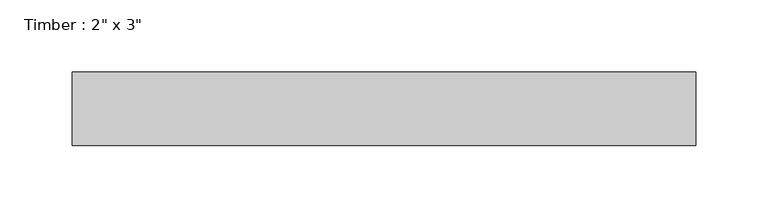
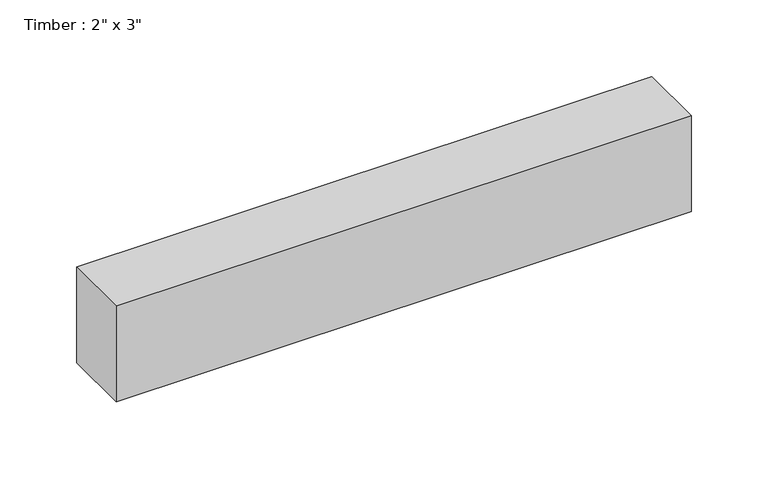
"""IFC4 building model written with IfcOpenShell, lengths in millimetres: beam geometry."""

import ifcopenshell
import ifcopenshell.guid

model = None  # the IFC model being written
_history = None  # IfcOwnerHistory: only IFC2X3 demands one
_inside = {}  # id of a spatial element -> (the spatial element, [elements in it])
_under = {}  # id of a project, library or spatial element -> (it, [spatial elements below it])
_declared = {}  # id of a project -> (the project, [libraries it declares])
_typed = {}  # id of a type object -> (the type object, [elements of that type])
_made_of = {}  # id of a material, layer set ... -> (it, [elements and type objects made of it])


def new_model(schema):
    """Start an empty IFC model of exactly this schema.

    Asked for "IFC4X3", IfcOpenShell would pick the latest addendum, in which some entities
    have other attributes; the version numbers below select the first issue.
    IFC2X3 requires an IfcOwnerHistory on every rooted entity: one is made here for all.
    """
    global model, _history
    if schema == "IFC4X3":
        model = ifcopenshell.file(schema_version=(4, 3, 0, 0))
    else:
        model = ifcopenshell.file(schema=schema)
    _inside.clear()
    _under.clear()
    _declared.clear()
    _typed.clear()
    _made_of.clear()
    _history = None
    if model.schema == "IFC2X3":
        org = make("IfcOrganization", Name="unknown")
        user = make(
            "IfcPersonAndOrganization",
            ThePerson=make("IfcPerson", FamilyName="unknown"),
            TheOrganization=org,
        )
        app = make(
            "IfcApplication",
            ApplicationDeveloper=org,
            Version="unknown",
            ApplicationFullName="unknown",
            ApplicationIdentifier="unknown",
        )
        _history = make(
            "IfcOwnerHistory",
            OwningUser=user,
            OwningApplication=app,
            ChangeAction="ADDED",
            CreationDate=0,
        )
    return model


def make(cls, **values):
    """One entity of the class cls with the attributes given. An attribute that is None is left unset."""
    return model.create_entity(
        cls, **{name: value for name, value in values.items() if value is not None}
    )


def rooted(cls, **values):
    """An entity with a GlobalId (a new one), such as an element, a storey or a relation."""
    return make(cls, GlobalId=ifcopenshell.guid.new(), OwnerHistory=_history, **values)


def si_unit(unit_type, name, prefix=None):
    """IfcSIUnit, for example si_unit("LENGTHUNIT", "METRE", prefix="MILLI")."""
    return make("IfcSIUnit", UnitType=unit_type, Prefix=prefix, Name=name)


def assignment(units):
    """IfcUnitAssignment: the units of a project."""
    return None if units is None else make("IfcUnitAssignment", Units=units)


def point(xyz):
    """IfcCartesianPoint."""
    return None if xyz is None else make("IfcCartesianPoint", Coordinates=xyz)


def direction(xyz):
    """IfcDirection."""
    return None if xyz is None else make("IfcDirection", DirectionRatios=xyz)


def frame(location, z_axis=None, x_axis=None):
    """IfcAxis2Placement3D, a coordinate frame: its origin and axes. An axis left out is left unset."""
    return make(
        "IfcAxis2Placement3D",
        Location=point(location),
        Axis=direction(z_axis),
        RefDirection=direction(x_axis),
    )


def origin():
    """The frame at (0, 0, 0) with its axes left unset."""
    return frame((0.0, 0.0, 0.0))


def place(relative_to, where):
    """IfcLocalPlacement: puts the frame where relative to a parent placement (None: the world)."""
    return make(
        "IfcLocalPlacement", PlacementRelTo=relative_to, RelativePlacement=where
    )


def context(
    kind, dimensions, precision=None, world=None, true_north=None, identifier=None
):
    """IfcGeometricRepresentationContext, for example the 3D "Model" context."""
    return make(
        "IfcGeometricRepresentationContext",
        ContextIdentifier=identifier,
        ContextType=kind,
        CoordinateSpaceDimension=dimensions,
        Precision=precision,
        WorldCoordinateSystem=world,
        TrueNorth=true_north,
    )


def project(units=None, contexts=None):
    """IfcProject with its units and contexts."""
    return rooted(
        "IfcProject",
        Name="project",
        RepresentationContexts=contexts,
        UnitsInContext=assignment(units),
    )


def spatial(cls, under=None, at=None, **own):
    """A site, building, storey or space (cls), placed at a placement, below another one or the project."""
    s = rooted(cls, ObjectPlacement=at, **own)
    if under is not None:
        _under.setdefault(under.id(), (under, []))[1].append(s)
    return s


def polyline(points):
    """IfcPolyline through the points."""
    return make("IfcPolyline", Points=[point(p) for p in points])


def outline(outer, holes=None, kind="AREA"):
    """IfcArbitraryClosedProfileDef: a profile drawn as a closed curve; with holes, ...WithVoids."""
    if holes is None:
        return make("IfcArbitraryClosedProfileDef", ProfileType=kind, OuterCurve=outer)
    return make(
        "IfcArbitraryProfileDefWithVoids",
        ProfileType=kind,
        OuterCurve=outer,
        InnerCurves=holes,
    )


def extrude(swept, where, along, depth):
    """IfcExtrudedAreaSolid: the profile swept, set in the frame where, extruded along a direction by depth."""
    return make(
        "IfcExtrudedAreaSolid",
        SweptArea=swept,
        Position=where,
        ExtrudedDirection=direction(along),
        Depth=depth,
    )


def shape(context_of_items, identifier, shape_type, items):
    """IfcShapeRepresentation: the items that make up one representation, for example the "Body"."""
    return make(
        "IfcShapeRepresentation",
        ContextOfItems=context_of_items,
        RepresentationIdentifier=identifier,
        RepresentationType=shape_type,
        Items=items,
    )


def source(mapping_origin, context_of_items, identifier, shape_type, items):
    """IfcRepresentationMap: a shape defined once, which mapped items show again and again."""
    return make(
        "IfcRepresentationMap",
        MappingOrigin=mapping_origin,
        MappedRepresentation=shape(context_of_items, identifier, shape_type, items),
    )


def transform(
    local_origin,
    x_axis=None,
    y_axis=None,
    z_axis=None,
    scale=None,
    scale2=None,
    scale3=None,
    uniform=True,
):
    """IfcCartesianTransformationOperator3D, or its non-uniform kind. x_axis, y_axis, z_axis: its Axis1, 2, 3."""
    if uniform:
        return make(
            "IfcCartesianTransformationOperator3D",
            Axis1=direction(x_axis),
            Axis2=direction(y_axis),
            LocalOrigin=point(local_origin),
            Scale=scale,
            Axis3=direction(z_axis),
        )
    return make(
        "IfcCartesianTransformationOperator3DnonUniform",
        Axis1=direction(x_axis),
        Axis2=direction(y_axis),
        LocalOrigin=point(local_origin),
        Scale=scale,
        Axis3=direction(z_axis),
        Scale2=scale2,
        Scale3=scale3,
    )


def mapped(mapping_source, mapping_target):
    """IfcMappedItem: shows the shape of a source again, moved by a transform."""
    return make(
        "IfcMappedItem", MappingSource=mapping_source, MappingTarget=mapping_target
    )


def made_of(thing, what):
    """Note that an element or type object is made of a material, layer set ...; save() writes the relation."""
    if what is not None:
        _made_of.setdefault(what.id(), (what, []))[1].append(thing)
    return thing


def element(
    cls,
    number,
    at=None,
    inside=None,
    cuts=None,
    type_object=None,
    material=None,
    context=None,
    identifier="Body",
    shape_type=None,
    held_by="IfcProductDefinitionShape",
    body=None,
    shapes=None,
    **own,
):
    """One element of the class cls, such as IfcWall. Its Tag is "e" and its number.

    at: its placement. inside: the storey or other place that contains it. cuts: it is an
    opening in that element (IfcRelVoidsElement). A single representation is given by context,
    identifier, shape_type and body (its items); several are given by shapes. held_by: the class
    of the entity that holds the representations. save() writes the other relations.
    """
    e = rooted(cls, Tag="e%d" % number, ObjectPlacement=at, **own)
    if body is not None:
        shapes = [shape(context, identifier, shape_type, body)]
    if shapes is not None:
        e.Representation = make(held_by, Representations=shapes)
    if inside is not None:
        _inside.setdefault(inside.id(), (inside, []))[1].append(e)
    if cuts is not None:
        rooted(
            "IfcRelVoidsElement", RelatingBuildingElement=cuts, RelatedOpeningElement=e
        )
    if type_object is not None:
        _typed.setdefault(type_object.id(), (type_object, []))[1].append(e)
    return made_of(e, material)


def aggregate(whole, parts):
    """IfcRelAggregates: a whole, such as a stair, and the parts it consists of."""
    return rooted("IfcRelAggregates", RelatingObject=whole, RelatedObjects=parts)


def save(model, path):
    """Write the relations noted so far, then the file.

    IfcRelAggregates (storeys below a building ...), IfcRelContainedInSpatialStructure (elements
    in a storey), IfcRelDefinesByType, IfcRelAssociatesMaterial and IfcRelDeclares: one each for
    every whole, place, type object, material and project.
    """
    for whole, parts in _under.values():
        aggregate(whole, parts)
    for where, things in _inside.values():
        rooted(
            "IfcRelContainedInSpatialStructure",
            RelatedElements=things,
            RelatingStructure=where,
        )
    for kind, things in _typed.values():
        rooted("IfcRelDefinesByType", RelatedObjects=things, RelatingType=kind)
    for what, things in _made_of.values():
        rooted("IfcRelAssociatesMaterial", RelatedObjects=things, RelatingMaterial=what)
    for by, libraries in _declared.values():
        rooted("IfcRelDeclares", RelatingContext=by, RelatedDefinitions=libraries)
    model.write(path)


def beam_37a7340a(model_context):
    return source(origin(), model_context, "Body", "SweptSolid", [
        extrude(outline(polyline([(215.5983684, -25.4), (-215.5983684, -25.4), (-215.5983684, 25.4), (215.5983684, 25.4), (215.5983684, -25.4)])), frame((0.0, 0.0, -38.1), z_axis=(0.0, 0.0, 1.0), x_axis=(1.0, 0.0, 0.0)), (0.0, 0.0, 1.0), 76.2),
    ])


if __name__ == "__main__":
    model = new_model("IFC4")
    model_context = context("Model", 3, world=origin())
    ifc_project = project(units=[si_unit("LENGTHUNIT", "METRE", prefix="MILLI")], contexts=[model_context])
    site = spatial("IfcSite", under=ifc_project)
    building = spatial("IfcBuilding", under=site)
    placement = place(None, origin())
    beam_shape = beam_37a7340a(model_context)
    element("IfcBeam", 1, ObjectType="Timber : 2\" x 3\"", at=placement, inside=building, context=model_context, shape_type="MappedRepresentation", body=[
        mapped(beam_shape, transform((0.0, 0.0, 0.0), x_axis=(1.0, 0.0, 0.0), y_axis=(0.0, 1.0, 0.0), z_axis=(0.0, 0.0, 1.0))),
    ])
    save(model, "model.ifc")
